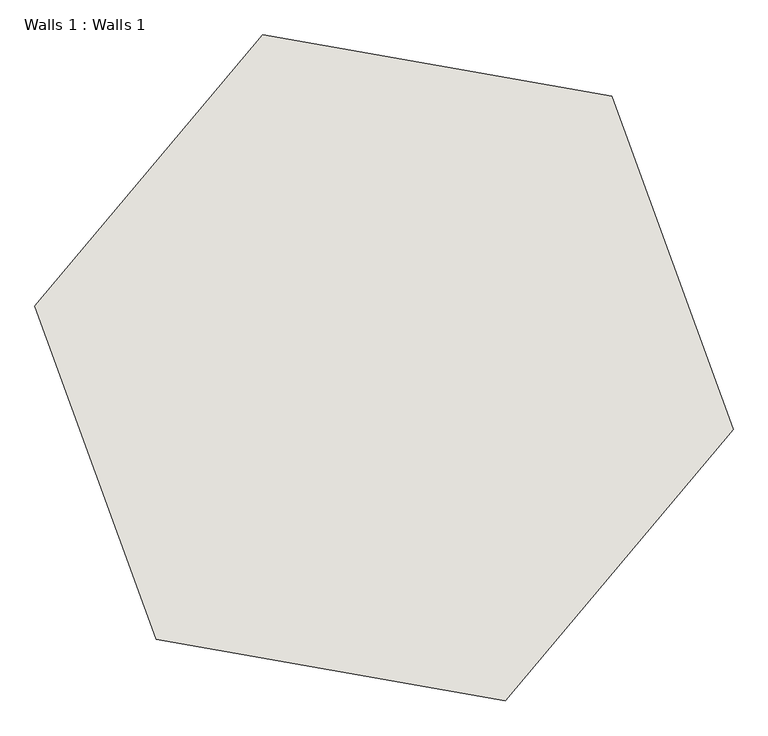
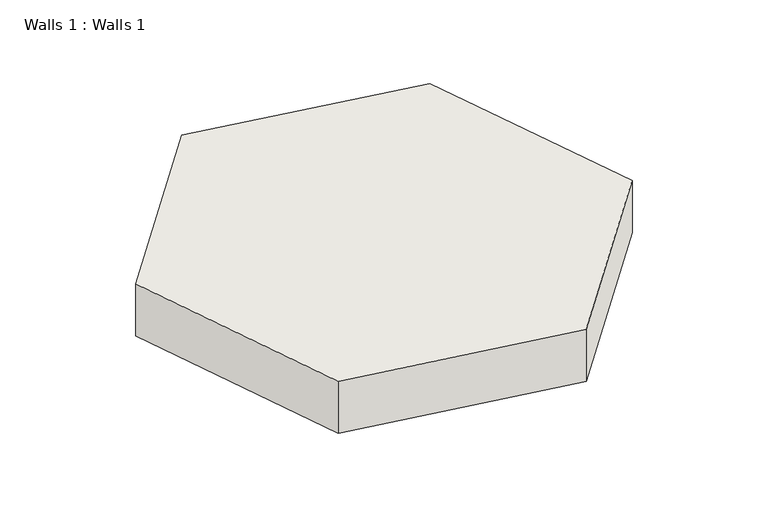
"""IFC4 building model written with IfcOpenShell, lengths in millimetres: wall geometry, Walls 1 : Walls 1."""

from ifc_helpers import new_model, si_unit, frame, origin, place, context, project, spatial, polyline, outline, extrude, source, transform, mapped, element, save


def walls_1_walls_1_4d47c997(model_context):
    return source(origin(), model_context, "Body", "SweptSolid", [
        extrude(outline(polyline([(-1075.454838, 1554.6434412), (971.4296387, 1193.7224816), (1682.3051572, -759.3919537), (346.2961991, -2351.5854293), (-1700.5882776, -1990.6644697), (-2411.4637961, -37.5500344), (-1075.454838, 1554.6434412)])), frame((0.0, 0.0, -500.0), z_axis=(0.0, 0.0, 1.0), x_axis=(1.0, 0.0, 0.0)), (0.0, 0.0, 1.0), 500.0),
    ])


if __name__ == "__main__":
    model = new_model("IFC4")
    model_context = context("Model", 3, world=origin())
    ifc_project = project(units=[si_unit("LENGTHUNIT", "METRE", prefix="MILLI")], contexts=[model_context])
    site = spatial("IfcSite", under=ifc_project)
    building = spatial("IfcBuilding", under=site)
    placement = place(None, origin())
    walls_1_walls_1_shape = walls_1_walls_1_4d47c997(model_context)
    element("IfcWall", 1, ObjectType="Walls 1 : Walls 1", at=placement, inside=building, context=model_context, shape_type="MappedRepresentation", body=[
        mapped(walls_1_walls_1_shape, transform((0.0, 0.0, 0.0), x_axis=(1.0, 0.0, 0.0), y_axis=(0.0, 1.0, 0.0), z_axis=(0.0, 0.0, 1.0))),
    ])
    save(model, "model.ifc")
